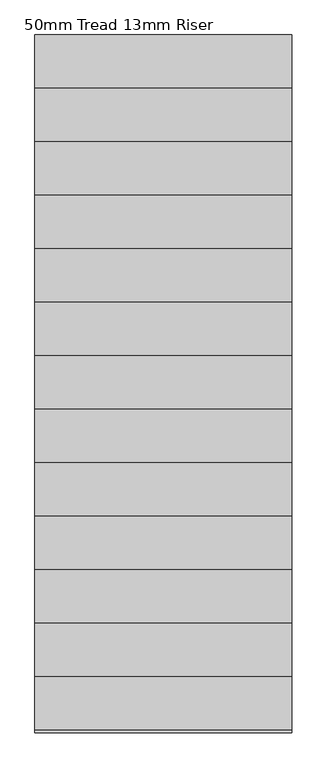
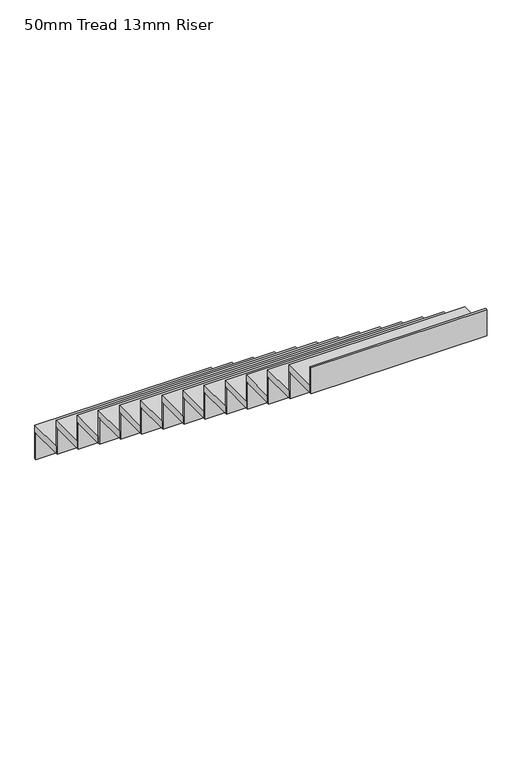
"""IFC4 building model written with IfcOpenShell, lengths in millimetres: stair flight geometry, 50mm Tread 13mm Riser."""

from ifc_helpers import new_model, si_unit, frame, origin, place, context, project, spatial, polyline, outline, extrude, source, transform, mapped, element, save


def stair_flight_50mm_tread_13mm_riser_36f19751(model_context):
    return source(origin(), model_context, "Body", "SweptSolid", [
        extrude(outline(polyline([(16413.6731966, 7946.1449078), (16413.6731966, 7958.6449078), (17613.6731966, 7958.6449078), (17613.6731966, 7946.1449078), (16413.6731966, 7946.1449078)])), frame((0.0, 0.0, 2768.9655172), z_axis=(0.0, 0.0, 1.0), x_axis=(1.0, 0.0, 0.0)), (0.0, 0.0, 1.0), 187.9310345),
        extrude(outline(polyline([(17613.6731966, 7708.6449078), (16413.6731966, 7708.6449078), (16413.6731966, 7958.6449078), (17613.6731966, 7958.6449078), (17613.6731966, 7708.6449078)])), frame((0.0, 0.0, 2956.8965517), z_axis=(0.0, 0.0, 1.0), x_axis=(1.0, 0.0, 0.0)), (0.0, 0.0, 1.0), 50.0),
        extrude(outline(polyline([(16413.6731966, 7696.1449078), (16413.6731966, 7708.6449078), (17613.6731966, 7708.6449078), (17613.6731966, 7696.1449078), (16413.6731966, 7696.1449078)])), frame((0.0, 0.0, 2956.8965517), z_axis=(0.0, 0.0, 1.0), x_axis=(1.0, 0.0, 0.0)), (0.0, 0.0, 1.0), 187.9310345),
        extrude(outline(polyline([(17613.6731966, 7458.6449078), (16413.6731966, 7458.6449078), (16413.6731966, 7708.6449078), (17613.6731966, 7708.6449078), (17613.6731966, 7458.6449078)])), frame((0.0, 0.0, 3144.8275862), z_axis=(0.0, 0.0, 1.0), x_axis=(1.0, 0.0, 0.0)), (0.0, 0.0, 1.0), 50.0),
        extrude(outline(polyline([(16413.6731966, 7446.1449078), (16413.6731966, 7458.6449078), (17613.6731966, 7458.6449078), (17613.6731966, 7446.1449078), (16413.6731966, 7446.1449078)])), frame((0.0, 0.0, 3144.8275862), z_axis=(0.0, 0.0, 1.0), x_axis=(1.0, 0.0, 0.0)), (0.0, 0.0, 1.0), 187.9310345),
        extrude(outline(polyline([(17613.6731966, 7208.6449078), (16413.6731966, 7208.6449078), (16413.6731966, 7458.6449078), (17613.6731966, 7458.6449078), (17613.6731966, 7208.6449078)])), frame((0.0, 0.0, 3332.7586207), z_axis=(0.0, 0.0, 1.0), x_axis=(1.0, 0.0, 0.0)), (0.0, 0.0, 1.0), 50.0),
        extrude(outline(polyline([(16413.6731966, 7196.1449078), (16413.6731966, 7208.6449078), (17613.6731966, 7208.6449078), (17613.6731966, 7196.1449078), (16413.6731966, 7196.1449078)])), frame((0.0, 0.0, 3332.7586207), z_axis=(0.0, 0.0, 1.0), x_axis=(1.0, 0.0, 0.0)), (0.0, 0.0, 1.0), 187.9310345),
        extrude(outline(polyline([(17613.6731966, 6958.6449078), (16413.6731966, 6958.6449078), (16413.6731966, 7208.6449078), (17613.6731966, 7208.6449078), (17613.6731966, 6958.6449078)])), frame((0.0, 0.0, 3520.6896552), z_axis=(0.0, 0.0, 1.0), x_axis=(1.0, 0.0, 0.0)), (0.0, 0.0, 1.0), 50.0),
        extrude(outline(polyline([(16413.6731966, 6946.1449078), (16413.6731966, 6958.6449078), (17613.6731966, 6958.6449078), (17613.6731966, 6946.1449078), (16413.6731966, 6946.1449078)])), frame((0.0, 0.0, 3520.6896552), z_axis=(0.0, 0.0, 1.0), x_axis=(1.0, 0.0, 0.0)), (0.0, 0.0, 1.0), 187.9310345),
        extrude(outline(polyline([(17613.6731966, 6708.6449078), (16413.6731966, 6708.6449078), (16413.6731966, 6958.6449078), (17613.6731966, 6958.6449078), (17613.6731966, 6708.6449078)])), frame((0.0, 0.0, 3708.6206897), z_axis=(0.0, 0.0, 1.0), x_axis=(1.0, 0.0, 0.0)), (0.0, 0.0, 1.0), 50.0),
        extrude(outline(polyline([(16413.6731966, 6696.1449078), (16413.6731966, 6708.6449078), (17613.6731966, 6708.6449078), (17613.6731966, 6696.1449078), (16413.6731966, 6696.1449078)])), frame((0.0, 0.0, 3708.6206897), z_axis=(0.0, 0.0, 1.0), x_axis=(1.0, 0.0, 0.0)), (0.0, 0.0, 1.0), 187.9310345),
        extrude(outline(polyline([(17613.6731966, 6458.6449078), (16413.6731966, 6458.6449078), (16413.6731966, 6708.6449078), (17613.6731966, 6708.6449078), (17613.6731966, 6458.6449078)])), frame((0.0, 0.0, 3896.5517241), z_axis=(0.0, 0.0, 1.0), x_axis=(1.0, 0.0, 0.0)), (0.0, 0.0, 1.0), 50.0),
        extrude(outline(polyline([(16413.6731966, 6446.1449078), (16413.6731966, 6458.6449078), (17613.6731966, 6458.6449078), (17613.6731966, 6446.1449078), (16413.6731966, 6446.1449078)])), frame((0.0, 0.0, 3896.5517241), z_axis=(0.0, 0.0, 1.0), x_axis=(1.0, 0.0, 0.0)), (0.0, 0.0, 1.0), 187.9310345),
        extrude(outline(polyline([(17613.6731966, 6208.6449078), (16413.6731966, 6208.6449078), (16413.6731966, 6458.6449078), (17613.6731966, 6458.6449078), (17613.6731966, 6208.6449078)])), frame((0.0, 0.0, 4084.4827586), z_axis=(0.0, 0.0, 1.0), x_axis=(1.0, 0.0, 0.0)), (0.0, 0.0, 1.0), 50.0),
        extrude(outline(polyline([(16413.6731966, 6196.1449078), (16413.6731966, 6208.6449078), (17613.6731966, 6208.6449078), (17613.6731966, 6196.1449078), (16413.6731966, 6196.1449078)])), frame((0.0, 0.0, 4084.4827586), z_axis=(0.0, 0.0, 1.0), x_axis=(1.0, 0.0, 0.0)), (0.0, 0.0, 1.0), 187.9310345),
        extrude(outline(polyline([(17613.6731966, 5958.6449078), (16413.6731966, 5958.6449078), (16413.6731966, 6208.6449078), (17613.6731966, 6208.6449078), (17613.6731966, 5958.6449078)])), frame((0.0, 0.0, 4272.4137931), z_axis=(0.0, 0.0, 1.0), x_axis=(1.0, 0.0, 0.0)), (0.0, 0.0, 1.0), 50.0),
        extrude(outline(polyline([(16413.6731966, 5946.1449078), (16413.6731966, 5958.6449078), (17613.6731966, 5958.6449078), (17613.6731966, 5946.1449078), (16413.6731966, 5946.1449078)])), frame((0.0, 0.0, 4272.4137931), z_axis=(0.0, 0.0, 1.0), x_axis=(1.0, 0.0, 0.0)), (0.0, 0.0, 1.0), 187.9310345),
        extrude(outline(polyline([(17613.6731966, 5708.6449078), (16413.6731966, 5708.6449078), (16413.6731966, 5958.6449078), (17613.6731966, 5958.6449078), (17613.6731966, 5708.6449078)])), frame((0.0, 0.0, 4460.3448276), z_axis=(0.0, 0.0, 1.0), x_axis=(1.0, 0.0, 0.0)), (0.0, 0.0, 1.0), 50.0),
        extrude(outline(polyline([(16413.6731966, 5696.1449078), (16413.6731966, 5708.6449078), (17613.6731966, 5708.6449078), (17613.6731966, 5696.1449078), (16413.6731966, 5696.1449078)])), frame((0.0, 0.0, 4460.3448276), z_axis=(0.0, 0.0, 1.0), x_axis=(1.0, 0.0, 0.0)), (0.0, 0.0, 1.0), 187.9310345),
        extrude(outline(polyline([(17613.6731966, 5458.6449078), (16413.6731966, 5458.6449078), (16413.6731966, 5708.6449078), (17613.6731966, 5708.6449078), (17613.6731966, 5458.6449078)])), frame((0.0, 0.0, 4648.2758621), z_axis=(0.0, 0.0, 1.0), x_axis=(1.0, 0.0, 0.0)), (0.0, 0.0, 1.0), 50.0),
        extrude(outline(polyline([(16413.6731966, 5446.1449078), (16413.6731966, 5458.6449078), (17613.6731966, 5458.6449078), (17613.6731966, 5446.1449078), (16413.6731966, 5446.1449078)])), frame((0.0, 0.0, 4648.2758621), z_axis=(0.0, 0.0, 1.0), x_axis=(1.0, 0.0, 0.0)), (0.0, 0.0, 1.0), 187.9310345),
        extrude(outline(polyline([(17613.6731966, 5208.6449078), (16413.6731966, 5208.6449078), (16413.6731966, 5458.6449078), (17613.6731966, 5458.6449078), (17613.6731966, 5208.6449078)])), frame((0.0, 0.0, 4836.2068966), z_axis=(0.0, 0.0, 1.0), x_axis=(1.0, 0.0, 0.0)), (0.0, 0.0, 1.0), 50.0),
        extrude(outline(polyline([(16413.6731966, 5196.1449078), (16413.6731966, 5208.6449078), (17613.6731966, 5208.6449078), (17613.6731966, 5196.1449078), (16413.6731966, 5196.1449078)])), frame((0.0, 0.0, 4836.2068966), z_axis=(0.0, 0.0, 1.0), x_axis=(1.0, 0.0, 0.0)), (0.0, 0.0, 1.0), 187.9310345),
        extrude(outline(polyline([(17613.6731966, 4958.6449078), (16413.6731966, 4958.6449078), (16413.6731966, 5208.6449078), (17613.6731966, 5208.6449078), (17613.6731966, 4958.6449078)])), frame((0.0, 0.0, 5024.137931), z_axis=(0.0, 0.0, 1.0), x_axis=(1.0, 0.0, 0.0)), (0.0, 0.0, 1.0), 50.0),
        extrude(outline(polyline([(16413.6731966, 4946.1449078), (16413.6731966, 4958.6449078), (17613.6731966, 4958.6449078), (17613.6731966, 4946.1449078), (16413.6731966, 4946.1449078)])), frame((0.0, 0.0, 5024.137931), z_axis=(0.0, 0.0, 1.0), x_axis=(1.0, 0.0, 0.0)), (0.0, 0.0, 1.0), 187.9310345),
        extrude(outline(polyline([(16413.6731966, 4696.1449078), (16413.6731966, 4708.6449078), (17613.6731966, 4708.6449078), (17613.6731966, 4696.1449078), (16413.6731966, 4696.1449078)])), frame((0.0, 0.0, 5212.0689655), z_axis=(0.0, 0.0, 1.0), x_axis=(1.0, 0.0, 0.0)), (0.0, 0.0, 1.0), 187.9310345),
        extrude(outline(polyline([(17613.6731966, 4708.6449078), (16413.6731966, 4708.6449078), (16413.6731966, 4958.6449078), (17613.6731966, 4958.6449078), (17613.6731966, 4708.6449078)])), frame((0.0, 0.0, 5212.0689655), z_axis=(0.0, 0.0, 1.0), x_axis=(1.0, 0.0, 0.0)), (0.0, 0.0, 1.0), 50.0),
    ])


if __name__ == "__main__":
    model = new_model("IFC4")
    model_context = context("Model", 3, world=origin())
    ifc_project = project(units=[si_unit("LENGTHUNIT", "METRE", prefix="MILLI")], contexts=[model_context])
    site = spatial("IfcSite", under=ifc_project)
    building = spatial("IfcBuilding", under=site)
    placement = place(None, origin())
    stair_flight_50mm_tread_13mm_riser_shape = stair_flight_50mm_tread_13mm_riser_36f19751(model_context)
    element("IfcStairFlight", 1, ObjectType="50mm Tread 13mm Riser", at=placement, inside=building, context=model_context, shape_type="MappedRepresentation", body=[
        mapped(stair_flight_50mm_tread_13mm_riser_shape, transform((0.0, 0.0, 0.0), x_axis=(1.0, 0.0, 0.0), y_axis=(0.0, 1.0, 0.0), z_axis=(0.0, 0.0, 1.0))),
    ])
    save(model, "model.ifc")
